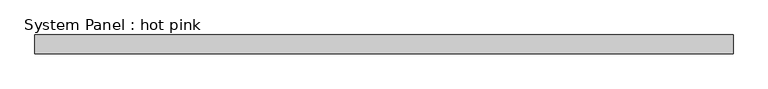
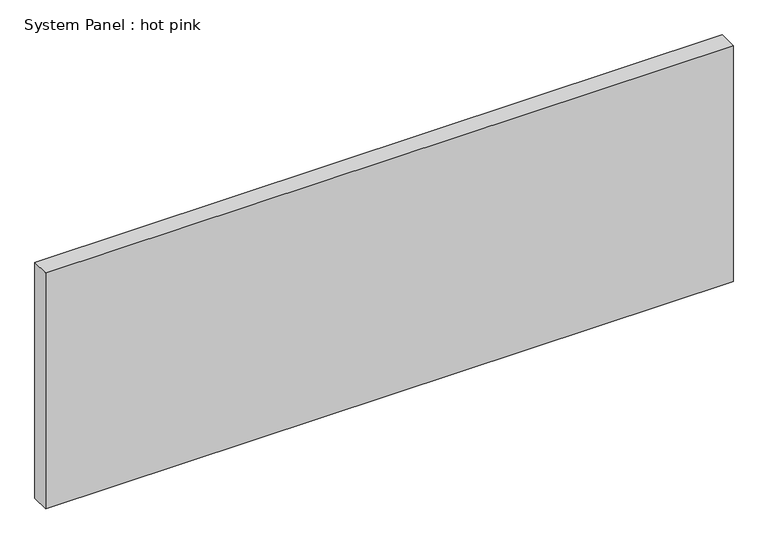
"""IFC4 building model written with IfcOpenShell, lengths in millimetres: plate geometry, System Panel : hot pink."""

from ifc_helpers import new_model, si_unit, origin, origin_with_axes, place, context, project, spatial, polyline, outline, extrude, source, transform, mapped, element, save


def system_panel_hot_pink_59c7c50a(model_context):
    return source(origin(), model_context, "Body", "SweptSolid", [
        extrude(outline(polyline([(1171.575, -44.45), (-1171.575, -44.45), (-1171.575, 19.05), (1171.575, 19.05), (1171.575, -44.45)])), origin_with_axes(), (0.0, 0.0, 1.0), 850.9),
    ])


if __name__ == "__main__":
    model = new_model("IFC4")
    model_context = context("Model", 3, world=origin())
    ifc_project = project(units=[si_unit("LENGTHUNIT", "METRE", prefix="MILLI")], contexts=[model_context])
    site = spatial("IfcSite", under=ifc_project)
    building = spatial("IfcBuilding", under=site)
    placement = place(None, origin())
    system_panel_hot_pink_shape = system_panel_hot_pink_59c7c50a(model_context)
    element("IfcPlate", 1, ObjectType="System Panel : hot pink", at=placement, inside=building, context=model_context, shape_type="MappedRepresentation", body=[
        mapped(system_panel_hot_pink_shape, transform((0.0, 0.0, 0.0), x_axis=(1.0, 0.0, 0.0), y_axis=(0.0, 1.0, 0.0), z_axis=(0.0, 0.0, 1.0))),
    ])
    save(model, "model.ifc")
